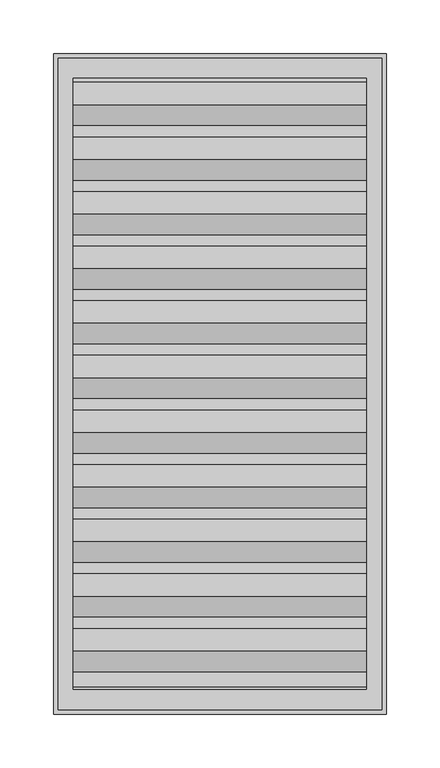
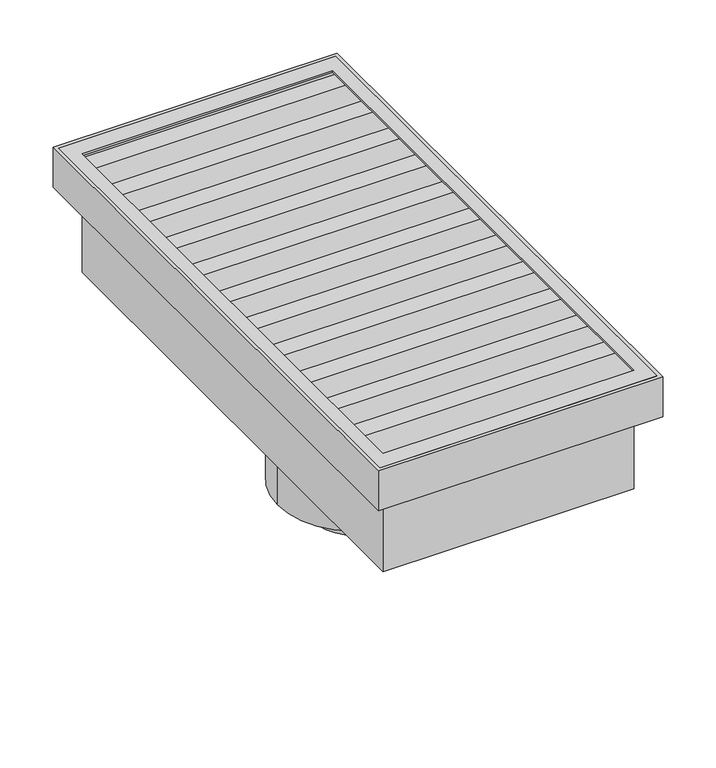
"""IFC4 building model written with IfcOpenShell, lengths in millimetres: proxy geometry."""

from ifc_helpers import new_model, si_unit, point, frame, origin, origin_2d, place, context, project, spatial, polyline, circle_curve, trimmed, segment, composite_curve, outline, extrude, faceted_brep, source, transform, mapped, element, save


def generic_models_866de122(model_context):
    return source(origin(), model_context, "Body", "SolidModel", [
        extrude(outline(polyline([(-150.8125, -303.2125), (-150.8125, 303.2125), (150.8125, 303.2125), (150.8125, -303.2125), (-150.8125, -303.2125)]), holes=[polyline([(136.525, 284.1625), (-136.525, 284.1625), (-136.525, -284.1625), (136.525, -284.1625), (136.525, 284.1625)])]), frame((0.0, 0.0, 43.9547101), z_axis=(0.0, 0.0, 1.0), x_axis=(1.0, 0.0, 0.0)), (0.0, 0.0, 1.0), 2.0192899),
        extrude(outline(composite_curve([segment(trimmed(circle_curve(origin_2d(), 49.2125), [point((-49.2125, 0.0))], [point((49.2125, 0.0))], False, "CARTESIAN"), True, "CONTINUOUS"), segment(trimmed(circle_curve(origin_2d(), 49.2125), [point((49.2125, 0.0))], [point((-49.2125, 0.0))], False, "CARTESIAN"), True, "CONTINUOUS")], self_intersect=False)), frame((0.0, 0.0, -235.0135), z_axis=(0.0, 0.0, 1.0), x_axis=(1.0, 0.0, 0.0)), (0.0, 0.0, 1.0), 31.877),
        extrude(outline(composite_curve([segment(trimmed(circle_curve(origin_2d(), 87.3125), [point((-87.3125, 0.0))], [point((87.3125, 0.0))], False, "CARTESIAN"), True, "CONTINUOUS"), segment(trimmed(circle_curve(origin_2d(), 87.3125), [point((87.3125, 0.0))], [point((-87.3125, 0.0))], False, "CARTESIAN"), True, "CONTINUOUS")], self_intersect=False)), frame((0.0, 0.0, -203.1365), z_axis=(0.0, 0.0, 1.0), x_axis=(1.0, 0.0, 0.0)), (0.0, 0.0, 1.0), 112.7125),
        faceted_brep([(154.78125, 307.18125, 45.974), (-154.78125, 307.18125, 45.974), (-154.78125, -307.18125, 45.974), (154.78125, -307.18125, 45.974), (150.8125, 303.2125, 45.974), (150.8125, -303.2125, 45.974), (-150.8125, -303.2125, 45.974), (-150.8125, 303.2125, 45.974), (154.78125, 307.18125, 0.0), (154.78125, -307.18125, 0.0), (-154.78125, -307.18125, 0.0), (-154.78125, 307.18125, 0.0), (154.78125, 307.18125, 1.524), (-154.78125, 307.18125, 1.524), (-154.78125, -307.18125, 1.524), (154.78125, -307.18125, 1.524), (150.8125, 303.2125, 1.524), (150.8125, -303.2125, 1.524), (-150.8125, -303.2125, 1.524), (-150.8125, 303.2125, 1.524)], [[[0, 1, 2, 3], [4, 5, 6, 7]], [[8, 9, 10, 11]], [[1, 0, 12, 8, 11, 13]], [[2, 1, 13, 11, 10, 14]], [[3, 2, 14, 10, 9, 15]], [[0, 3, 15, 9, 8, 12]], [[5, 4, 16, 17]], [[6, 5, 17, 18]], [[7, 6, 18, 19]], [[4, 7, 19, 16]], [[17, 16, 19, 18]]]),
        extrude(outline(polyline([(136.525, 284.1625), (136.525, -284.1625), (-136.525, -284.1625), (-136.525, 284.1625), (136.525, 284.1625)])), frame((0.0, 0.0, -90.424), z_axis=(0.0, 0.0, 1.0), x_axis=(1.0, 0.0, 0.0)), (0.0, 0.0, 1.0), 90.424),
        extrude(outline(polyline([(280.5249919, 41.2373503), (261.4749919, 41.2373503), (242.1054968, 1.524), (226.3718939, 1.524), (226.3718939, 4.1647993), (240.5409841, 4.1647993), (259.9478202, 43.9547101), (280.5249919, 43.9547101), (280.5249919, 41.2373503)])), frame((-150.8125, 0.0, 0.0), z_axis=(1.0, 0.0, 0.0), x_axis=(0.0, 1.0, 0.0)), (0.0, 0.0, 1.0), 301.625),
        extrude(outline(polyline([(229.7249919, 41.2373503), (210.6749919, 41.2373503), (191.3054968, 1.524), (175.5718939, 1.524), (175.5718939, 4.1647993), (189.7409841, 4.1647993), (209.1478202, 43.9547101), (229.7249919, 43.9547101), (229.7249919, 41.2373503)])), frame((-150.8125, 0.0, 0.0), z_axis=(1.0, 0.0, 0.0), x_axis=(0.0, 1.0, 0.0)), (0.0, 0.0, 1.0), 301.625),
        extrude(outline(polyline([(178.9249919, 41.2373503), (159.8749919, 41.2373503), (140.5054968, 1.524), (124.7718939, 1.524), (124.7718939, 4.1647993), (138.9409841, 4.1647993), (158.3478202, 43.9547101), (178.9249919, 43.9547101), (178.9249919, 41.2373503)])), frame((-150.8125, 0.0, 0.0), z_axis=(1.0, 0.0, 0.0), x_axis=(0.0, 1.0, 0.0)), (0.0, 0.0, 1.0), 301.625),
        extrude(outline(polyline([(128.1249919, 41.2373503), (109.0749919, 41.2373503), (89.7054968, 1.524), (73.9718939, 1.524), (73.9718939, 4.1647993), (88.1409841, 4.1647993), (107.5478202, 43.9547101), (128.1249919, 43.9547101), (128.1249919, 41.2373503)])), frame((-150.8125, 0.0, 0.0), z_axis=(1.0, 0.0, 0.0), x_axis=(0.0, 1.0, 0.0)), (0.0, 0.0, 1.0), 301.625),
        extrude(outline(polyline([(77.3249919, 41.2373503), (58.2749919, 41.2373503), (38.9054968, 1.524), (23.1718939, 1.524), (23.1718939, 4.1647993), (37.3409841, 4.1647993), (56.7478202, 43.9547101), (77.3249919, 43.9547101), (77.3249919, 41.2373503)])), frame((-150.8125, 0.0, 0.0), z_axis=(1.0, 0.0, 0.0), x_axis=(0.0, 1.0, 0.0)), (0.0, 0.0, 1.0), 301.625),
        extrude(outline(polyline([(26.5249919, 41.2373503), (7.4749919, 41.2373503), (-11.8945032, 1.524), (-27.6281061, 1.524), (-27.6281061, 4.1647993), (-13.4590159, 4.1647993), (5.9478202, 43.9547101), (26.5249919, 43.9547101), (26.5249919, 41.2373503)])), frame((-150.8125, 0.0, 0.0), z_axis=(1.0, 0.0, 0.0), x_axis=(0.0, 1.0, 0.0)), (0.0, 0.0, 1.0), 301.625),
        extrude(outline(polyline([(-24.2750081, 41.2373503), (-43.3250081, 41.2373503), (-62.6945032, 1.524), (-78.4281061, 1.524), (-78.4281061, 4.1647993), (-64.2590159, 4.1647993), (-44.8521798, 43.9547101), (-24.2750081, 43.9547101), (-24.2750081, 41.2373503)])), frame((-150.8125, 0.0, 0.0), z_axis=(1.0, 0.0, 0.0), x_axis=(0.0, 1.0, 0.0)), (0.0, 0.0, 1.0), 301.625),
        extrude(outline(polyline([(-75.0750081, 41.2373503), (-94.1250081, 41.2373503), (-113.4945032, 1.524), (-129.2281061, 1.524), (-129.2281061, 4.1647993), (-115.0590159, 4.1647993), (-95.6521798, 43.9547101), (-75.0750081, 43.9547101), (-75.0750081, 41.2373503)])), frame((-150.8125, 0.0, 0.0), z_axis=(1.0, 0.0, 0.0), x_axis=(0.0, 1.0, 0.0)), (0.0, 0.0, 1.0), 301.625),
        extrude(outline(polyline([(-125.8750081, 41.2373503), (-144.9250081, 41.2373503), (-164.2945032, 1.524), (-180.0281061, 1.524), (-180.0281061, 4.1647993), (-165.8590159, 4.1647993), (-146.4521798, 43.9547101), (-125.8750081, 43.9547101), (-125.8750081, 41.2373503)])), frame((-150.8125, 0.0, 0.0), z_axis=(1.0, 0.0, 0.0), x_axis=(0.0, 1.0, 0.0)), (0.0, 0.0, 1.0), 301.625),
        extrude(outline(polyline([(-176.6750081, 41.2373503), (-195.7250081, 41.2373503), (-215.0945032, 1.524), (-230.8281061, 1.524), (-230.8281061, 4.1647993), (-216.6590159, 4.1647993), (-197.2521798, 43.9547101), (-176.6750081, 43.9547101), (-176.6750081, 41.2373503)])), frame((-150.8125, 0.0, 0.0), z_axis=(1.0, 0.0, 0.0), x_axis=(0.0, 1.0, 0.0)), (0.0, 0.0, 1.0), 301.625),
        extrude(outline(polyline([(-227.4750081, 41.2373503), (-246.5250081, 41.2373503), (-265.8945032, 1.524), (-281.6281061, 1.524), (-281.6281061, 4.1647993), (-267.4590159, 4.1647993), (-248.0521798, 43.9547101), (-227.4750081, 43.9547101), (-227.4750081, 41.2373503)])), frame((-150.8125, 0.0, 0.0), z_axis=(1.0, 0.0, 0.0), x_axis=(0.0, 1.0, 0.0)), (0.0, 0.0, 1.0), 301.625),
    ])


if __name__ == "__main__":
    model = new_model("IFC4")
    model_context = context("Model", 3, world=origin())
    ifc_project = project(units=[si_unit("LENGTHUNIT", "METRE", prefix="MILLI")], contexts=[model_context])
    site = spatial("IfcSite", under=ifc_project)
    building = spatial("IfcBuilding", under=site)
    placement = place(None, origin())
    generic_models_shape = generic_models_866de122(model_context)
    element("IfcBuildingElementProxy", 1, Name="Generic Models", at=placement, inside=building, context=model_context, shape_type="MappedRepresentation", body=[
        mapped(generic_models_shape, transform((0.0, 0.0, 0.0), x_axis=(1.0, 0.0, 0.0), y_axis=(0.0, 1.0, 0.0), z_axis=(0.0, 0.0, 1.0))),
    ])
    save(model, "model.ifc")
